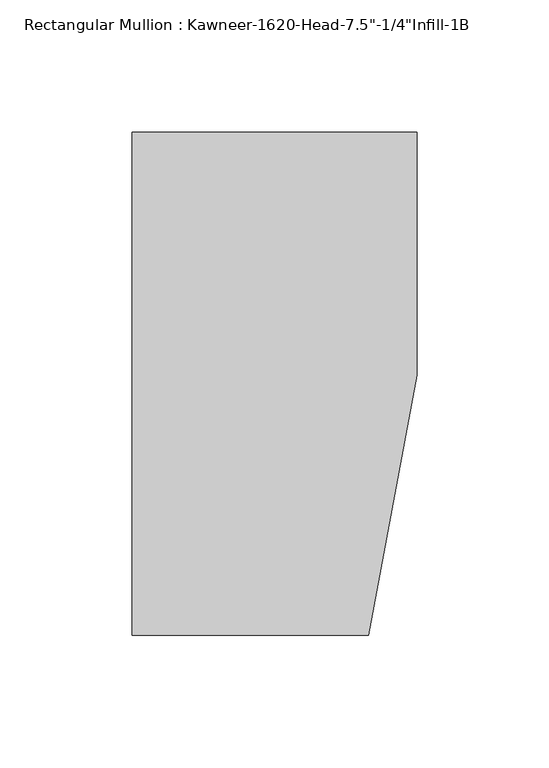
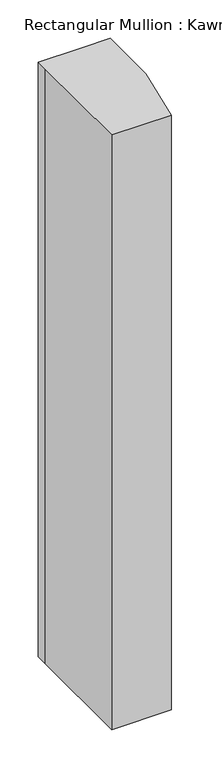
"""IFC4 building model written with IfcOpenShell, lengths in millimetres: member geometry."""

from ifc_helpers import new_model, si_unit, frame, origin, place, context, project, spatial, polyline, outline, extrude, source, transform, mapped, element, save


def member_601a9eed(model_context):
    return source(origin(), model_context, "Body", "SweptSolid", [
        extrude(outline(polyline([(-107.95, 10.3845466), (-107.95, 28.575), (-44.1519366, 28.575), (0.0, 28.575), (0.0, -63.5), (-18.3538271, -161.925), (-107.95, -161.925), (-107.95, 10.3845466)])), frame((0.0, 0.0, -945.5198107), z_axis=(0.0, 0.0, 1.0), x_axis=(1.0, 0.0, 0.0)), (0.0, 0.0, 1.0), 945.5198107),
    ])


if __name__ == "__main__":
    model = new_model("IFC4")
    model_context = context("Model", 3, world=origin())
    ifc_project = project(units=[si_unit("LENGTHUNIT", "METRE", prefix="MILLI")], contexts=[model_context])
    site = spatial("IfcSite", under=ifc_project)
    building = spatial("IfcBuilding", under=site)
    placement = place(None, origin())
    member_shape = member_601a9eed(model_context)
    element("IfcMember", 1, ObjectType="Rectangular Mullion : Kawneer-1620-Head-7.5\"-1/4\"Infill-1B", at=placement, inside=building, context=model_context, shape_type="MappedRepresentation", body=[
        mapped(member_shape, transform((0.0, 0.0, 0.0), x_axis=(1.0, 0.0, 0.0), y_axis=(0.0, 1.0, 0.0), z_axis=(0.0, 0.0, 1.0))),
    ])
    save(model, "model.ifc")
